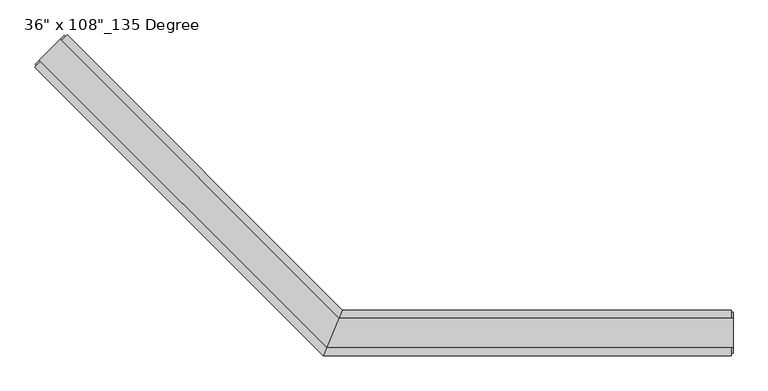
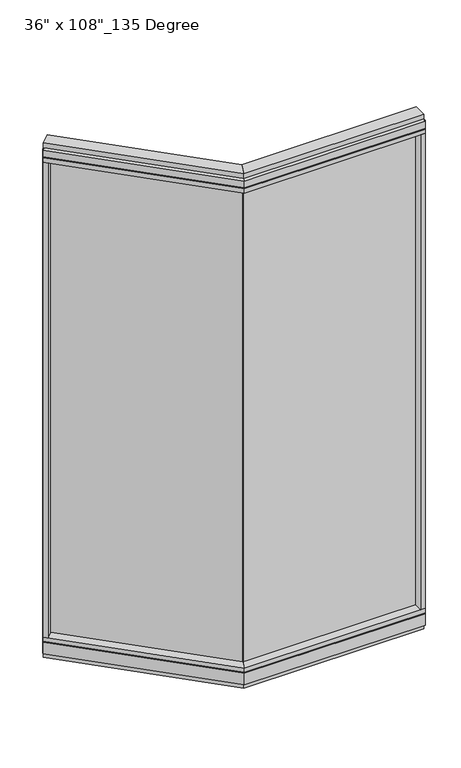
"""IFC4 building model written with IfcOpenShell, lengths in millimetres: furniture geometry."""

from ifc_helpers import new_model, si_unit, frame, origin, origin_with_axes, place, context, project, spatial, polyline, outline, extrude, faceted_brep, source, transform, mapped, element, save


def furniture_7a24f6e1(model_context):
    return source(origin(), model_context, "Body", "SolidModel", [
        extrude(outline(polyline([(-1112.986714, 605.0903135), (-1105.8025091, 612.2745184), (-491.1937802, -2.3342105), (-498.3779851, -9.5184154), (-1112.986714, 605.0903135)])), frame((0.0, 0.0, 120.523), z_axis=(0.0, 0.0, 1.0), x_axis=(1.0, 0.0, 0.0)), (0.0, 0.0, 1.0), 2533.777),
        extrude(outline(polyline([(-1089.1890353, 660.3188887), (-475.152425, 46.2822784), (-517.2365229, -55.3177216), (-1161.0310843, 588.4768397), (-1089.1890353, 660.3188887)])), frame((0.0, 0.0, 2654.3), z_axis=(0.0, 0.0, 1.0), x_axis=(1.0, 0.0, 0.0)), (0.0, 0.0, 1.0), 22.225),
        faceted_brep([(-475.152425, 46.2822784, 2681.478), (-475.152425, 46.2822784, 2717.8), (-517.2365229, -55.3177216, 2717.8), (-517.2365229, -55.3177216, 2681.478), (-515.1849232, -50.3647216, 2681.478), (-515.1849232, -50.3647216, 2676.525), (-477.2040248, 41.3292784, 2676.525), (-477.2040248, 41.3292784, 2681.478), (-1089.1890353, 660.3188887, 2681.478), (-1092.6913352, 656.8165888, 2681.478), (-1092.6913352, 656.8165888, 2676.525), (-1157.5287844, 591.9791396, 2676.525), (-1157.5287844, 591.9791396, 2681.478), (-1161.0310843, 588.4768397, 2681.478), (-1161.0310843, 588.4768397, 2717.8), (-1089.1890353, 660.3188887, 2717.8)], [[[0, 1, 2, 3, 4, 5, 6, 7]], [[8, 9, 10, 11, 12, 13, 14, 15]], [[8, 0, 7, 9]], [[13, 3, 2, 14]], [[14, 2, 1, 15]], [[15, 1, 0, 8]], [[9, 7, 6, 10]], [[10, 6, 5, 11]], [[11, 5, 4, 12]], [[12, 4, 3, 13]]]),
        extrude(outline(polyline([(-1104.9044835, 650.1711992), (-482.7275626, 27.9942784), (-509.6613853, -37.0297216), (-1150.8833948, 604.1922879), (-1104.9044835, 650.1711992)])), frame((0.0, 0.0, 2717.8), z_axis=(0.0, 0.0, 1.0), x_axis=(1.0, 0.0, 0.0)), (0.0, 0.0, 1.0), 25.4),
        faceted_brep([(-477.2040248, 41.3292784, 93.345), (-477.2040248, 41.3292784, 98.298), (-515.1849232, -50.3647216, 98.298), (-515.1849232, -50.3647216, 93.345), (-517.2365229, -55.3177216, 93.345), (-517.2365229, -55.3177216, 31.75), (-475.152425, 46.2822784, 31.75), (-475.152425, 46.2822784, 93.345), (-1089.1890353, 660.3188887, 93.345), (-1089.1890353, 660.3188887, 31.75), (-1161.0310843, 588.4768397, 31.75), (-1161.0310843, 588.4768397, 93.345), (-1157.5287844, 591.9791396, 93.345), (-1157.5287844, 591.9791396, 98.298), (-1092.6913352, 656.8165888, 98.298), (-1092.6913352, 656.8165888, 93.345)], [[[0, 1, 2, 3, 4, 5, 6, 7]], [[8, 9, 10, 11, 12, 13, 14, 15]], [[15, 0, 7, 8]], [[10, 5, 4, 11]], [[9, 6, 5, 10]], [[8, 7, 6, 9]], [[14, 1, 0, 15]], [[13, 2, 1, 14]], [[12, 3, 2, 13]], [[11, 4, 3, 12]]]),
        extrude(outline(polyline([(-1089.1890353, 660.3188887), (-475.152425, 46.2822784), (-517.2365229, -55.3177216), (-1161.0310843, 588.4768397), (-1089.1890353, 660.3188887)])), frame((0.0, 0.0, 98.298), z_axis=(0.0, 0.0, 1.0), x_axis=(1.0, 0.0, 0.0)), (0.0, 0.0, 1.0), 22.225),
        extrude(outline(polyline([(-1104.9044835, 650.1711992), (-482.7275626, 27.9942784), (-509.6613853, -37.0297216), (-1150.8833948, 604.1922879), (-1104.9044835, 650.1711992)])), origin_with_axes(), (0.0, 0.0, 1.0), 31.75),
        extrude(outline(polyline([(-1145.315636, 572.7613915), (-1161.0310843, 588.4768397), (-1089.1890353, 660.3188887), (-1073.4735871, 644.6034404), (-1145.315636, 572.7613915)])), frame((0.0, 0.0, 120.523), z_axis=(0.0, 0.0, 1.0), x_axis=(1.0, 0.0, 0.0)), (0.0, 0.0, 1.0), 2533.777),
        extrude(outline(polyline([(-1160.3126638, 594.763019), (-1095.4752146, 659.6004682), (-1092.6913352, 656.8165888), (-1157.5287844, 591.9791396), (-1160.3126638, 594.763019)])), frame((0.0, 0.0, 31.75), z_axis=(0.0, 0.0, 1.0), x_axis=(1.0, 0.0, 0.0)), (0.0, 0.0, 1.0), 2686.05),
        extrude(outline(polyline([(371.0014771, -9.5977216), (-498.1865229, -9.5977216), (-498.1865229, 0.5622784), (371.0014771, 0.5622784), (371.0014771, -9.5977216)])), frame((0.0, 0.0, 120.523), z_axis=(0.0, 0.0, 1.0), x_axis=(1.0, 0.0, 0.0)), (0.0, 0.0, 1.0), 2533.777),
        extrude(outline(polyline([(393.2264771, 46.2822784), (393.2264771, -55.3177216), (-517.2365229, -55.3177216), (-475.152425, 46.2822784), (393.2264771, 46.2822784)])), frame((0.0, 0.0, 2654.3), z_axis=(0.0, 0.0, 1.0), x_axis=(1.0, 0.0, 0.0)), (0.0, 0.0, 1.0), 22.225),
        faceted_brep([(-475.152425, 46.2822784, 2681.478), (-477.2040248, 41.3292784, 2681.478), (-477.2040248, 41.3292784, 2676.525), (-515.1849232, -50.3647216, 2676.525), (-515.1849232, -50.3647216, 2681.478), (-517.2365229, -55.3177216, 2681.478), (-517.2365229, -55.3177216, 2717.8), (-475.152425, 46.2822784, 2717.8), (393.2264771, 46.2822784, 2681.478), (393.2264771, 46.2822784, 2717.8), (393.2264771, -55.3177216, 2717.8), (393.2264771, -55.3177216, 2681.478), (393.2264771, -50.3647216, 2681.478), (393.2264771, -50.3647216, 2676.525), (393.2264771, 41.3292784, 2676.525), (393.2264771, 41.3292784, 2681.478)], [[[0, 1, 2, 3, 4, 5, 6, 7]], [[8, 9, 10, 11, 12, 13, 14, 15]], [[8, 15, 1, 0]], [[11, 10, 6, 5]], [[10, 9, 7, 6]], [[9, 8, 0, 7]], [[15, 14, 2, 1]], [[14, 13, 3, 2]], [[13, 12, 4, 3]], [[12, 11, 5, 4]]]),
        extrude(outline(polyline([(397.1634771, 27.9942784), (397.1634771, -37.0297216), (-509.6613853, -37.0297216), (-482.7275626, 27.9942784), (397.1634771, 27.9942784)])), frame((0.0, 0.0, 2717.8), z_axis=(0.0, 0.0, 1.0), x_axis=(1.0, 0.0, 0.0)), (0.0, 0.0, 1.0), 25.4),
        faceted_brep([(-477.2040248, 41.3292784, 93.345), (-475.152425, 46.2822784, 93.345), (-475.152425, 46.2822784, 31.75), (-517.2365229, -55.3177216, 31.75), (-517.2365229, -55.3177216, 93.345), (-515.1849232, -50.3647216, 93.345), (-515.1849232, -50.3647216, 98.298), (-477.2040248, 41.3292784, 98.298), (393.2264771, 46.2822784, 93.345), (393.2264771, 41.3292784, 93.345), (393.2264771, 41.3292784, 98.298), (393.2264771, -50.3647216, 98.298), (393.2264771, -50.3647216, 93.345), (393.2264771, -55.3177216, 93.345), (393.2264771, -55.3177216, 31.75), (393.2264771, 46.2822784, 31.75)], [[[0, 1, 2, 3, 4, 5, 6, 7]], [[8, 9, 10, 11, 12, 13, 14, 15]], [[9, 8, 1, 0]], [[14, 13, 4, 3]], [[15, 14, 3, 2]], [[8, 15, 2, 1]], [[10, 9, 0, 7]], [[11, 10, 7, 6]], [[12, 11, 6, 5]], [[13, 12, 5, 4]]]),
        extrude(outline(polyline([(393.2264771, 46.2822784), (393.2264771, -55.3177216), (-517.2365229, -55.3177216), (-475.152425, 46.2822784), (393.2264771, 46.2822784)])), frame((0.0, 0.0, 98.298), z_axis=(0.0, 0.0, 1.0), x_axis=(1.0, 0.0, 0.0)), (0.0, 0.0, 1.0), 22.225),
        extrude(outline(polyline([(397.1634771, 27.9942784), (397.1634771, -37.0297216), (-509.6613853, -37.0297216), (-482.7275626, 27.9942784), (397.1634771, 27.9942784)])), origin_with_axes(), (0.0, 0.0, 1.0), 31.75),
        extrude(outline(polyline([(371.0014771, -55.3177216), (371.0014771, 46.2822784), (393.2264771, 46.2822784), (393.2264771, -55.3177216), (371.0014771, -55.3177216)])), frame((0.0, 0.0, 120.523), z_axis=(0.0, 0.0, 1.0), x_axis=(1.0, 0.0, 0.0)), (0.0, 0.0, 1.0), 2533.777),
        extrude(outline(polyline([(397.1634771, -50.3647216), (393.2264771, -50.3647216), (393.2264771, 41.3292784), (397.1634771, 41.3292784), (397.1634771, -50.3647216)])), frame((0.0, 0.0, 31.75), z_axis=(0.0, 0.0, 1.0), x_axis=(1.0, 0.0, 0.0)), (0.0, 0.0, 1.0), 2686.05),
    ])


if __name__ == "__main__":
    model = new_model("IFC4")
    model_context = context("Model", 3, world=origin())
    ifc_project = project(units=[si_unit("LENGTHUNIT", "METRE", prefix="MILLI")], contexts=[model_context])
    site = spatial("IfcSite", under=ifc_project)
    building = spatial("IfcBuilding", under=site)
    placement = place(None, origin())
    furniture_shape = furniture_7a24f6e1(model_context)
    element("IfcFurniture", 1, ObjectType="36\" x 108\"_135 Degree", at=placement, inside=building, context=model_context, shape_type="MappedRepresentation", body=[
        mapped(furniture_shape, transform((0.0, 0.0, 0.0), x_axis=(1.0, 0.0, 0.0), y_axis=(0.0, 1.0, 0.0), z_axis=(0.0, 0.0, 1.0))),
    ])
    save(model, "model.ifc")
